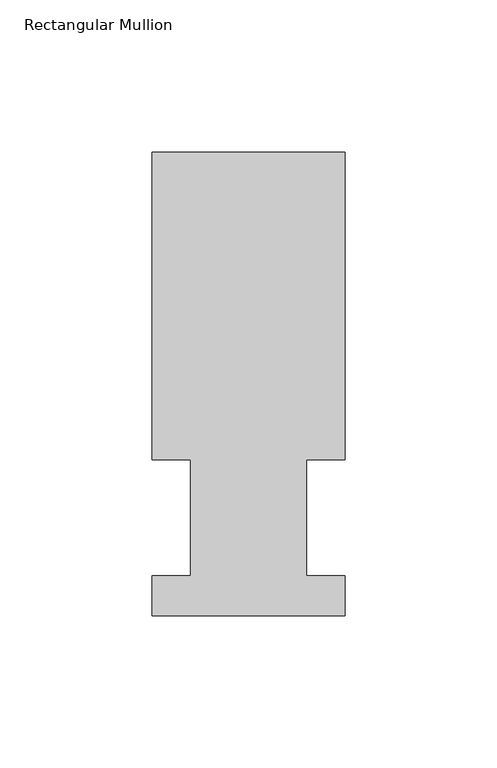
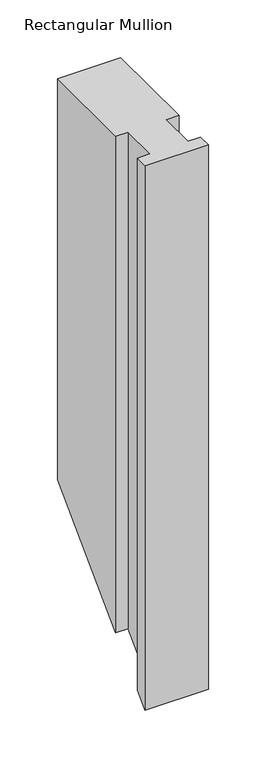
"""IFC4 building model written with IfcOpenShell, lengths in millimetres: member geometry, Rectangular Mullion."""

from ifc_helpers import new_model, si_unit, origin, place, context, project, spatial, faceted_brep, source, transform, mapped, element, save


def rectangular_mullion_c440bca5(model_context):
    return source(origin(), model_context, "Body", "Brep", [
        faceted_brep([(-63.5, 152.4896938, 0.0), (-63.510405, 51.2960938, 0.0), (-50.8104049, 51.2960937, 0.0), (-50.8143224, 13.1960938, 0.0), (-63.5143225, 13.1960938, 0.0), (-63.5156779, 0.0134946, 0.0), (-0.0156783, 0.0069653, 0.0), (-0.0143221, 13.1960938, 0.0), (-12.7016222, 13.1960938, 0.0), (-12.6977047, 51.2960938, 0.0), (-0.0104046, 51.2960937, 0.0), (-3e-07, 152.4831645, 0.0), (-63.5, 152.4896937, -425.3603065), (-63.510405, 51.2960937, -526.5539065), (-50.8104049, 51.2960937, -526.5539065), (-50.8143224, 13.1960938, -564.6539065), (-63.5143225, 13.1960938, -564.6539065), (-63.5156779, 0.0134946, -577.8365057), (-0.0156783, 0.0069653, -577.843035), (-0.0143221, 13.1960938, -564.6539065), (-12.7016222, 13.1960938, -564.6539065), (-12.6977047, 51.2960937, -526.5539065), (-0.0104046, 51.2960937, -526.5539065), (-3e-07, 152.4831645, -425.3668358)], [[[0, 1, 2, 3, 4, 5, 6, 7, 8, 9, 10, 11]], [[1, 0, 12, 13]], [[2, 1, 13, 14]], [[3, 2, 14, 15]], [[4, 3, 15, 16]], [[5, 4, 16, 17]], [[6, 5, 17, 18]], [[7, 6, 18, 19]], [[8, 7, 19, 20]], [[9, 8, 20, 21]], [[10, 9, 21, 22]], [[11, 10, 22, 23]], [[0, 11, 23, 12]], [[12, 23, 22, 21, 20, 19, 18, 17, 16, 15, 14, 13]]]),
    ])


if __name__ == "__main__":
    model = new_model("IFC4")
    model_context = context("Model", 3, world=origin())
    ifc_project = project(units=[si_unit("LENGTHUNIT", "METRE", prefix="MILLI")], contexts=[model_context])
    site = spatial("IfcSite", under=ifc_project)
    building = spatial("IfcBuilding", under=site)
    placement = place(None, origin())
    rectangular_mullion_shape = rectangular_mullion_c440bca5(model_context)
    element("IfcMember", 1, ObjectType="Rectangular Mullion", at=placement, inside=building, context=model_context, shape_type="MappedRepresentation", body=[
        mapped(rectangular_mullion_shape, transform((0.0, 0.0, 0.0), x_axis=(1.0, 0.0, 0.0), y_axis=(0.0, 1.0, 0.0), z_axis=(0.0, 0.0, 1.0))),
    ])
    save(model, "model.ifc")
